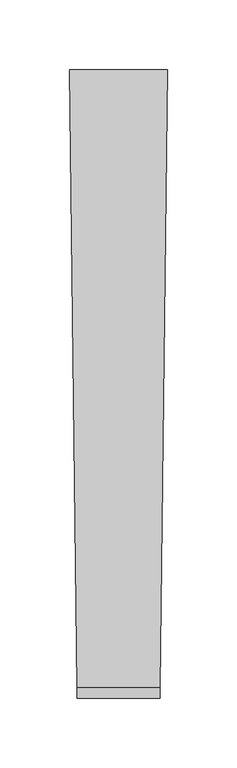
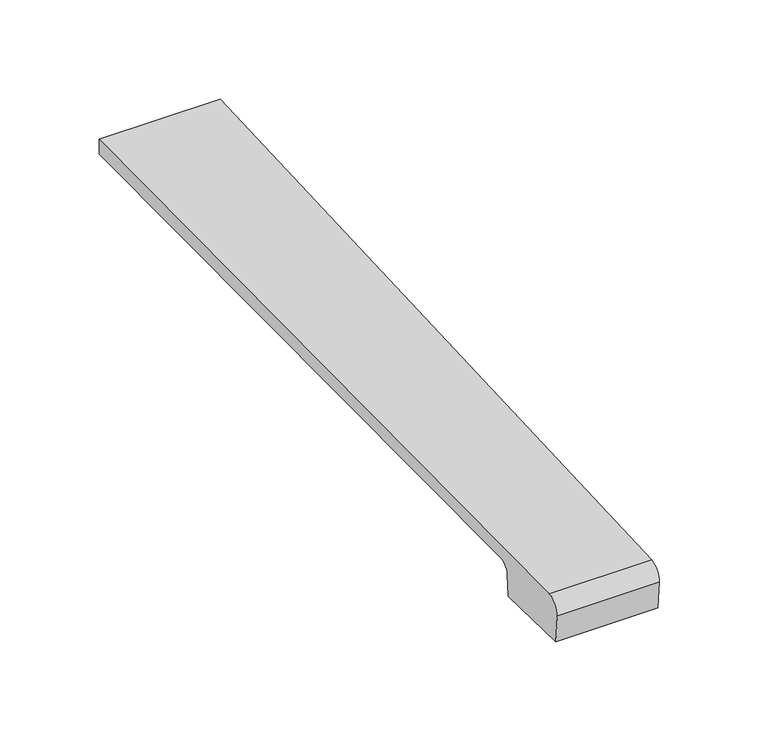
"""IFC4 building model written with IfcOpenShell, lengths in millimetres: furniture geometry."""

from ifc_helpers import new_model, si_unit, frame, origin, place, context, project, spatial, polyline, ellipse_curve, source, transform, mapped, element, save
from ifc_brep_helpers import plane_surface, cylinder_surface, revolved_surface, advanced_brep


def furniture_8bbe4fcb(model_context):
    return source(origin(), model_context, "Body", "AdvancedBrep", [
        advanced_brep(
        [(714.0326324, -358.907527, 43.214377), (654.5197255, -358.907527, 43.214377), (654.6104493, -366.395, 34.2542654), (713.9419086, -366.395, 34.2542654), (654.5929374, -364.9497362, 17.4767183), (713.9594205, -364.9497362, 17.4767183), (654.0293207, -318.4342309, 17.4790914), (714.5230372, -318.4342309, 17.4790914), (654.0157624, -317.3152602, 30.2689663), (714.5365955, -317.3152602, 30.2689663), (653.9436079, -311.3603185, 36.4652791), (714.6087501, -311.3603185, 36.4652791), (649.1452167, 84.6231873, 46.3897851), (719.4067833, 84.6231873, 46.3897851), (649.1455746, 84.6231873, 55.5357953), (719.4067833, 84.6231873, 55.5357953)],
        [
            (0, 1),
            (1, 2, ellipse_curve(frame((654.510437, -358.1409412, 34.9652926), z_axis=(0.9999266002647922, 0.012115860798744512, 0.0), x_axis=(0.012115860798740948, -0.9999266002647921, 0.0)), 8.2852353, 8.2846272)),
            (2, 3),
            (3, 0, ellipse_curve(frame((714.0419209, -358.1409412, 34.9652926), z_axis=(-0.9999266002647953, 0.012115860798488485, 0.0), x_axis=(0.012115860798487027, 0.9999266002647953, 0.0)), 8.2852353, 8.2846272)),
            (2, 4),
            (4, 5),
            (5, 3),
            (4, 6),
            (6, 7),
            (7, 5),
            (6, 8),
            (8, 9),
            (9, 7),
            (8, 10, ellipse_curve(frame((653.9330987, -310.4929906, 29.6720942), z_axis=(-0.9999266002647922, -0.012115860798744512, 0.0), x_axis=(-0.012115860798740948, 0.9999266002647921, 0.0)), 6.8488324, 6.8483297)),
            (10, 11),
            (11, 9, ellipse_curve(frame((714.6192592, -310.4929906, 29.6720942), z_axis=(0.9999266002647953, -0.012115860798488485, 0.0), x_axis=(-0.012115860798487027, -0.9999266002647953, 0.0)), 6.8488324, 6.8483297)),
            (12, 13),
            (13, 11),
            (10, 12),
            (12, 14),
            (14, 15),
            (15, 13),
            (15, 0, ellipse_curve(frame((734.7519966, 1351.0694809, -53521.3711919), z_axis=(0.9999266002647953, -0.012115860798488485, 0.0), x_axis=(0.012115860798487027, 0.9999266002647953, 0.0)), 53595.8068889, 53591.8729709)),
            (1, 14, ellipse_curve(frame((633.8003613, 1351.0694809, -53521.3711919), z_axis=(-0.9999266002647922, -0.012115860798744512, 0.0), x_axis=(0.012115860798740948, -0.9999266002647921, 0.0)), 53595.8068889, 53591.8729709)),
        ],
        [
            cylinder_surface(frame((649.1452167, -358.1409412, 34.9652926), z_axis=(1.0, 0.0, 0.0), x_axis=(0.0, 1.0, 0.0)), 8.2846272),
            plane_surface(frame((719.4067833, -366.395, 34.2542654), z_axis=(0.0, -0.9963102368705624, -0.08582489095200639), x_axis=(-1.0, 0.0, 0.0))),
            plane_surface(frame((719.4067833, -364.9497362, 17.4767183), z_axis=(0.0, 5.1017983912769445e-05, -0.9999999986985827), x_axis=(-1.0, 0.0, 0.0))),
            plane_surface(frame((719.4067833, -318.4342309, 17.4790914), z_axis=(0.0, 0.9961946873837982, -0.08715586513996933), x_axis=(-1.0, 0.0, 0.0))),
            revolved_surface(polyline([(653.8501192000076, -303.64466089999996, 29.6720942), (714.7022386999905, -303.64466089999996, 29.6720942)]), (649.1452167, -310.4929906, 29.6720942), (-1.0, 0.0, 0.0)),
            plane_surface(frame((719.4067833, -311.3603185, 36.4652791), z_axis=(0.0, 0.025055059879517685, -0.9996860727120459), x_axis=(-1.0, 0.0, 0.0))),
            plane_surface(frame((719.4067833, 84.6231873, 46.3897851), z_axis=(0.0, 1.0, 0.0), x_axis=(-1.0, 0.0, 0.0))),
            plane_surface(frame((719.4067833, 84.6231873, 55.5357953), z_axis=(0.9999266002647953, -0.012115860798488485, 0.0), x_axis=(0.0, 0.0, -1.0))),
            plane_surface(frame((654.6296847, -367.9825, 55.5357953), z_axis=(-0.9999266002647922, -0.012115860798744512, 0.0), x_axis=(0.0, 0.0, -1.0))),
            cylinder_surface(frame((649.1452167, 1351.0694809, -53521.3711919), z_axis=(1.0, 0.0, 0.0), x_axis=(0.0, 1.0, 0.0)), 53591.8729709),
        ],
        [
            (0, [[1, 2, 3, 4]]),
            (1, [[-3, 5, 6, 7]]),
            (2, [[-6, 8, 9, 10]]),
            (3, [[-9, 11, 12, 13]]),
            (4, [[-12, 14, 15, 16]]),
            (5, [[17, 18, -15, 19]]),
            (6, [[-17, 20, 21, 22]]),
            (7, [[-4, -7, -10, -13, -16, -18, -22, 23]]),
            (8, [[-2, 24, -20, -19, -14, -11, -8, -5]]),
            (9, [[-21, -24, -1, -23]]),
        ],
    ),
    ])


if __name__ == "__main__":
    model = new_model("IFC4")
    model_context = context("Model", 3, world=origin())
    ifc_project = project(units=[si_unit("LENGTHUNIT", "METRE", prefix="MILLI")], contexts=[model_context])
    site = spatial("IfcSite", under=ifc_project)
    building = spatial("IfcBuilding", under=site)
    placement = place(None, origin())
    furniture_shape = furniture_8bbe4fcb(model_context)
    element("IfcFurniture", 1, at=placement, inside=building, context=model_context, shape_type="MappedRepresentation", body=[
        mapped(furniture_shape, transform((0.0, 0.0, 0.0), x_axis=(1.0, 0.0, 0.0), y_axis=(0.0, 1.0, 0.0), z_axis=(0.0, 0.0, 1.0))),
    ])
    save(model, "model.ifc")
